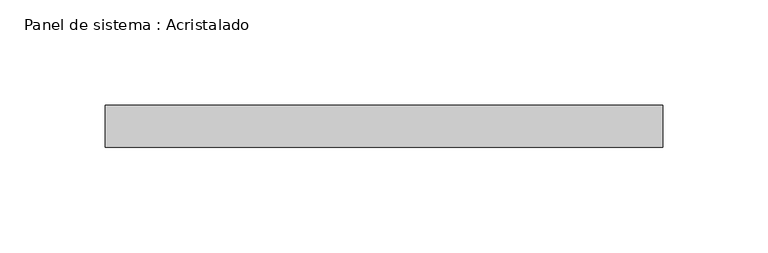
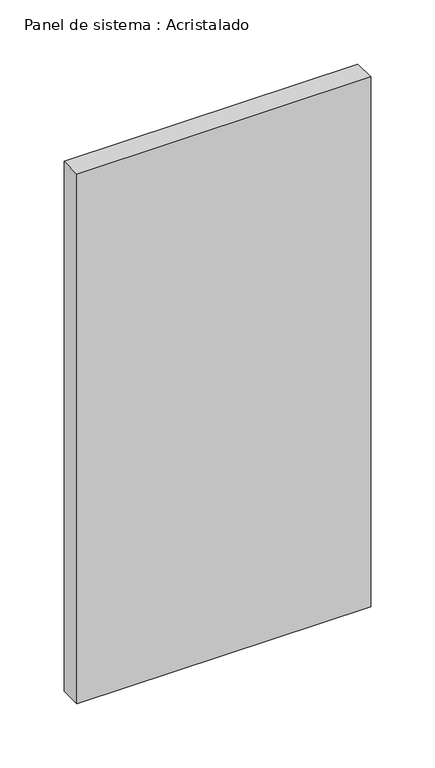
"""IFC4 building model written with IfcOpenShell, lengths in millimetres: plate geometry, Panel de sistema : Acristalado."""

from ifc_helpers import new_model, si_unit, origin, origin_with_axes, place, context, project, spatial, polyline, outline, extrude, source, transform, mapped, element, save


def panel_de_sistema_acristalado_5f77acfc(model_context):
    return source(origin(), model_context, "Body", "SweptSolid", [
        extrude(outline(polyline([(132.5, -10.0), (-132.5, -10.0), (-132.5, 10.0), (132.5, 10.0), (132.5, -10.0)])), origin_with_axes(), (0.0, 0.0, 1.0), 505.0),
    ])


if __name__ == "__main__":
    model = new_model("IFC4")
    model_context = context("Model", 3, world=origin())
    ifc_project = project(units=[si_unit("LENGTHUNIT", "METRE", prefix="MILLI")], contexts=[model_context])
    site = spatial("IfcSite", under=ifc_project)
    building = spatial("IfcBuilding", under=site)
    placement = place(None, origin())
    panel_de_sistema_acristalado_shape = panel_de_sistema_acristalado_5f77acfc(model_context)
    element("IfcPlate", 1, ObjectType="Panel de sistema : Acristalado", at=placement, inside=building, context=model_context, shape_type="MappedRepresentation", body=[
        mapped(panel_de_sistema_acristalado_shape, transform((0.0, 0.0, 0.0), x_axis=(1.0, 0.0, 0.0), y_axis=(0.0, 1.0, 0.0), z_axis=(0.0, 0.0, 1.0))),
    ])
    save(model, "model.ifc")
